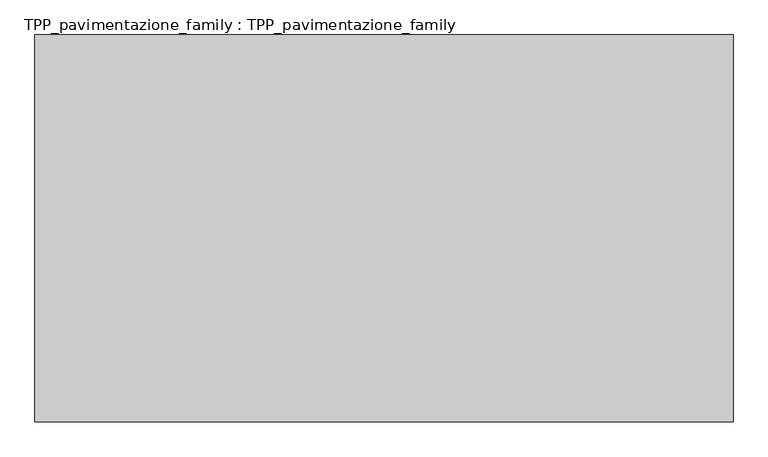
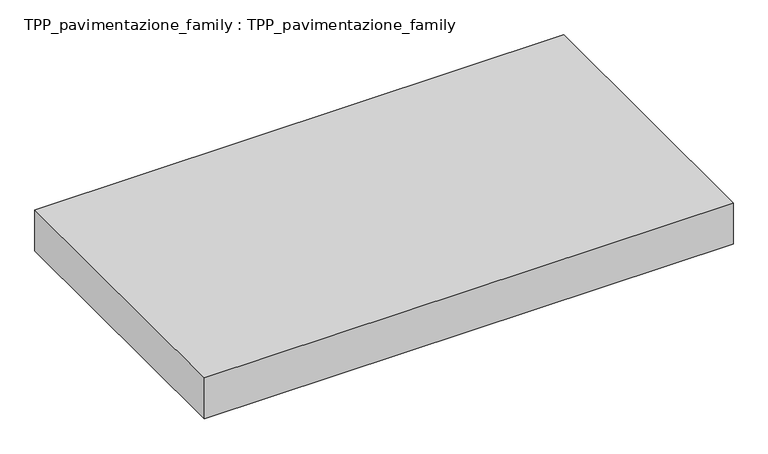
"""IFC4 building model written with IfcOpenShell, lengths in millimetres: proxy geometry, TPP_pavimentazione_family : TPP_pavimentazione_family."""

from ifc_helpers import new_model, si_unit, origin, origin_with_axes, place, context, project, spatial, polyline, outline, extrude, source, transform, mapped, element, save


def tpp_pavimentazione_family_tpp_pavimentazione_family_c5e384fe(model_context):
    return source(origin(), model_context, "Body", "SweptSolid", [
        extrude(outline(polyline([(511.8146187, 354.2201026), (511.8146187, -660.357645), (-1316.0009797, -660.357645), (-1316.0009797, 354.2201026), (511.8146187, 354.2201026)])), origin_with_axes(), (0.0, 0.0, 1.0), 150.0),
    ])


if __name__ == "__main__":
    model = new_model("IFC4")
    model_context = context("Model", 3, world=origin())
    ifc_project = project(units=[si_unit("LENGTHUNIT", "METRE", prefix="MILLI")], contexts=[model_context])
    site = spatial("IfcSite", under=ifc_project)
    building = spatial("IfcBuilding", under=site)
    placement = place(None, origin())
    tpp_pavimentazione_family_tpp_pavimentazione_family_shape = tpp_pavimentazione_family_tpp_pavimentazione_family_c5e384fe(model_context)
    element("IfcBuildingElementProxy", 1, Name="TPP_pavimentazione_family : TPP_pavimentazione_family", ObjectType="TPP_pavimentazione_family : TPP_pavimentazione_family", at=placement, inside=building, context=model_context, shape_type="MappedRepresentation", body=[
        mapped(tpp_pavimentazione_family_tpp_pavimentazione_family_shape, transform((0.0, 0.0, 0.0), x_axis=(1.0, 0.0, 0.0), y_axis=(0.0, 1.0, 0.0), z_axis=(0.0, 0.0, 1.0))),
    ])
    save(model, "model.ifc")
